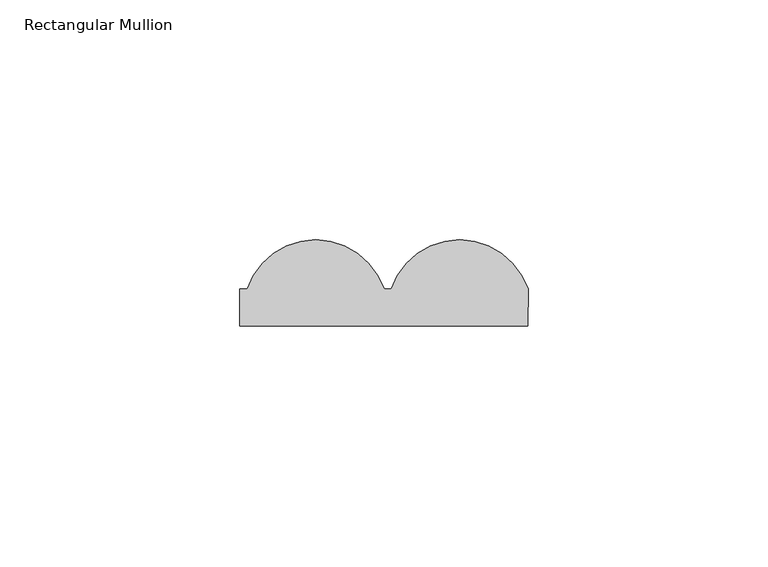
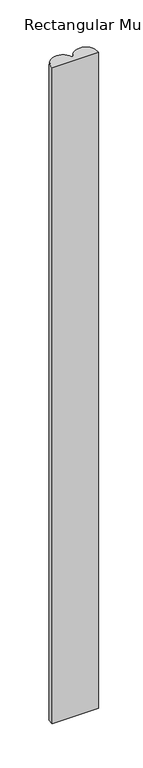
"""IFC4 building model written with IfcOpenShell, lengths in millimetres: member geometry, Rectangular Mullion."""

from ifc_helpers import new_model, si_unit, point, frame, frame_2d, origin, place, context, project, spatial, polyline, circle_curve, trimmed, segment, composite_curve, outline, extrude, source, transform, mapped, element, save


def rectangular_mullion_2e32dde8(model_context):
    return source(origin(), model_context, "Body", "SweptSolid", [
        extrude(outline(composite_curve([segment(polyline([(-30.0, 7.716254), (-28.4785497, 7.716254)]), True, "CONTINUOUS"), segment(trimmed(circle_curve(frame_2d((-14.2392748, 3.0)), 15.0), [point((-28.4785497, 7.716254))], [point((0.0, 7.716254))], False, "CARTESIAN"), True, "CONTINUOUS"), segment(polyline([(0.0, 7.716254), (1.5214503, 7.716254)]), True, "CONTINUOUS"), segment(trimmed(circle_curve(frame_2d((15.7607252, 3.0)), 15.0), [point((1.5214503, 7.716254))], [point((30.0, 7.716254))], False, "CARTESIAN"), True, "CONTINUOUS"), segment(polyline([(30.0, 7.716254), (30.0, 0.0), (-30.0, 0.0), (-30.0, 7.716254)]), True, "CONTINUOUS")], self_intersect=False)), frame((0.0, 0.0, -900.0), z_axis=(0.0, 0.0, 1.0), x_axis=(1.0, 0.0, 0.0)), (0.0, 0.0, 1.0), 900.0),
    ])


if __name__ == "__main__":
    model = new_model("IFC4")
    model_context = context("Model", 3, world=origin())
    ifc_project = project(units=[si_unit("LENGTHUNIT", "METRE", prefix="MILLI")], contexts=[model_context])
    site = spatial("IfcSite", under=ifc_project)
    building = spatial("IfcBuilding", under=site)
    placement = place(None, origin())
    rectangular_mullion_shape = rectangular_mullion_2e32dde8(model_context)
    element("IfcMember", 1, ObjectType="Rectangular Mullion", at=placement, inside=building, context=model_context, shape_type="MappedRepresentation", body=[
        mapped(rectangular_mullion_shape, transform((0.0, 0.0, 0.0), x_axis=(1.0, 0.0, 0.0), y_axis=(0.0, 1.0, 0.0), z_axis=(0.0, 0.0, 1.0))),
    ])
    save(model, "model.ifc")
